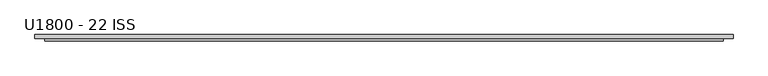
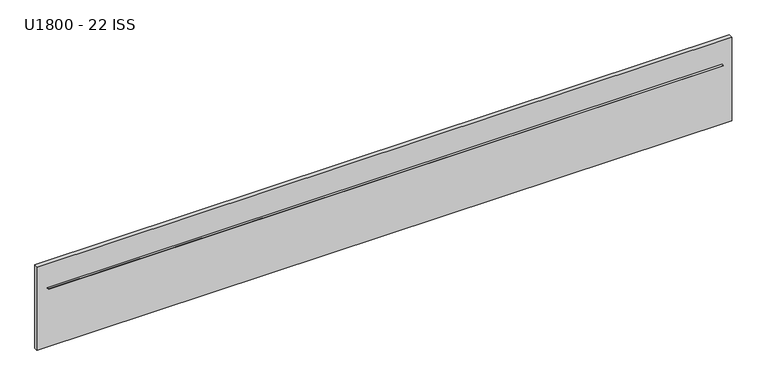
"""IFC4 building model written with IfcOpenShell, lengths in millimetres: proxy geometry, U1800 - 22 ISS."""

from ifc_helpers import new_model, si_unit, origin, place, context, project, spatial, faceted_brep, source, transform, mapped, element, save


def u1800_22_iss_cab0b919(model_context):
    return source(origin(), model_context, "Body", "Brep", [
        faceted_brep([(99.7380533, -1.0, 164.6501087), (99.7380533, 0.0, 164.6501087), (99.7380533, 0.0, 165.6501087), (99.7380533, -1.0, 165.6501087), (-1596.7380533, -1.0, 165.6501087), (-1596.7380533, 0.0, 165.6501087), (-1596.7380533, 0.0, 164.6501087), (-1596.7380533, -1.0, 164.6501087), (-1621.7380533, 0.0, 7.2619467), (124.7380533, 0.0, 7.2619467), (124.7380533, 0.0, 228.7501087), (-1621.7380533, 0.0, 228.7501087), (124.7380533, 10.0, 7.2619467), (-1621.7380533, 10.0, 7.2619467), (-1621.7380533, 10.0, 228.7501087), (124.7380533, 10.0, 228.7501087), (99.7380533, -6.0, 164.6501087), (-1596.7380533, -6.0, 164.6501087), (124.7380533, 2.0, 7.2619467), (-1596.7380533, -6.0, 165.6501087), (99.7380533, -6.0, 165.6501087), (-1621.7380533, 2.0, 7.2619467)], [[[0, 1, 2, 3]], [[4, 5, 6, 7]], [[8, 9, 10, 11], [2, 1, 6, 5]], [[12, 13, 14, 15]], [[14, 11, 10, 15]], [[6, 1, 0, 16, 17, 7]], [[10, 9, 18, 12, 15]], [[2, 5, 4, 19, 20, 3]], [[4, 7, 17, 19]], [[17, 16, 20, 19]], [[0, 3, 20, 16]], [[21, 8, 11, 14, 13]], [[9, 8, 21, 13, 12, 18]]]),
    ])


if __name__ == "__main__":
    model = new_model("IFC4")
    model_context = context("Model", 3, world=origin())
    ifc_project = project(units=[si_unit("LENGTHUNIT", "METRE", prefix="MILLI")], contexts=[model_context])
    site = spatial("IfcSite", under=ifc_project)
    building = spatial("IfcBuilding", under=site)
    placement = place(None, origin())
    u1800_22_iss_shape = u1800_22_iss_cab0b919(model_context)
    element("IfcBuildingElementProxy", 1, Name="U1800 - 22 ISS", ObjectType="U1800 - 22 ISS", at=placement, inside=building, context=model_context, shape_type="MappedRepresentation", body=[
        mapped(u1800_22_iss_shape, transform((0.0, 0.0, 0.0), x_axis=(1.0, 0.0, 0.0), y_axis=(0.0, 1.0, 0.0), z_axis=(0.0, 0.0, 1.0))),
    ])
    save(model, "model.ifc")
